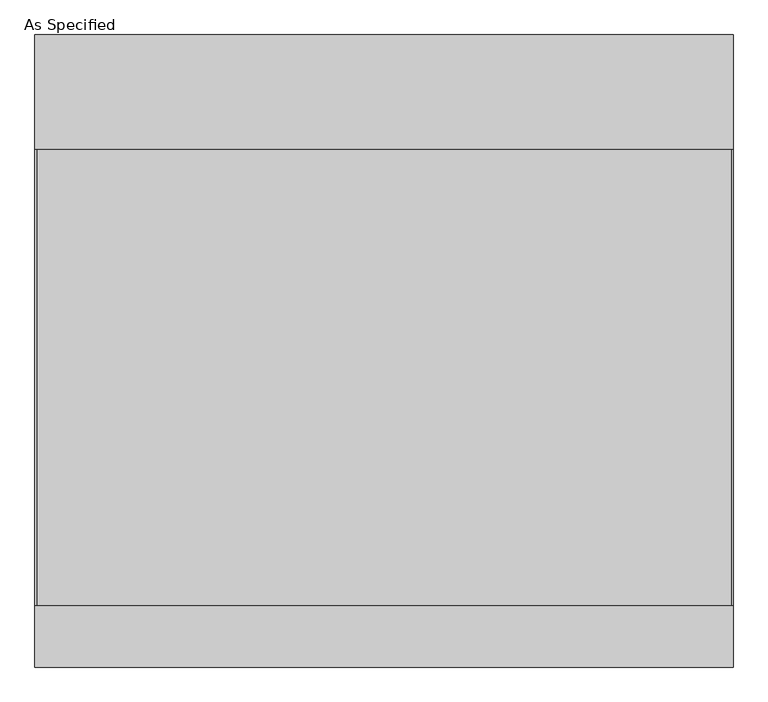
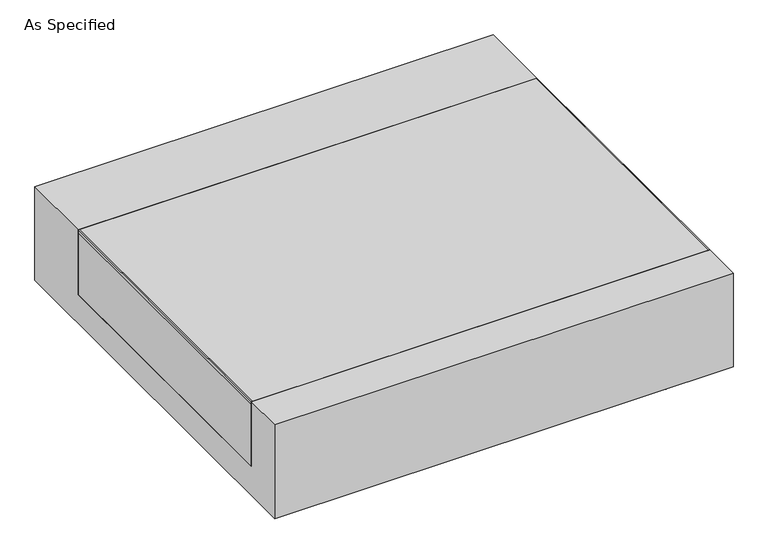
"""IFC4 building model written with IfcOpenShell, lengths in millimetres: proxy geometry, As Specified."""

from ifc_helpers import new_model, si_unit, point, frame, frame_2d, origin, place, context, project, spatial, polyline, circle_curve, trimmed, segment, composite_curve, outline, extrude, source, transform, mapped, element, save


def as_specified_bb5dd57b(model_context):
    return source(origin(), model_context, "Body", "SweptSolid", [
        extrude(outline(composite_curve([segment(trimmed(circle_curve(frame_2d((846.8125, -1007.275)), 10.5), [point((846.8125, -1017.775))], [point((846.8125, -996.775))], False, "CARTESIAN"), True, "CONTINUOUS"), segment(trimmed(circle_curve(frame_2d((846.8125, -1007.275)), 10.5), [point((846.8125, -996.775))], [point((846.8125, -1017.775))], False, "CARTESIAN"), True, "CONTINUOUS")], self_intersect=False)), frame((0.0, 0.0, -562.225), z_axis=(0.0, 0.0, 1.0), x_axis=(1.0, 0.0, 0.0)), (0.0, 0.0, 1.0), 32.0),
        extrude(outline(polyline([(-1161.25625, -850.9), (-1166.8125, -850.9), (-1166.8125, 673.1), (-1161.25625, 673.1), (-1161.25625, -850.9)])), frame((0.0, 0.0, -39.6875), z_axis=(0.0, 0.0, 1.0), x_axis=(1.0, 0.0, 0.0)), (0.0, 0.0, 1.0), 14.2875),
        extrude(outline(polyline([(1162.84375, 673.1), (1166.8125, 673.1), (1166.8125, -850.9), (1162.84375, -850.9), (1162.84375, 673.1)])), frame((0.0, 0.0, -39.6875), z_axis=(0.0, 0.0, 1.0), x_axis=(1.0, 0.0, 0.0)), (0.0, 0.0, 1.0), 14.2875),
        extrude(outline(polyline([(1166.8125, 673.1), (1166.8125, -850.9), (-1166.8125, -850.9), (-1166.8125, 673.1), (1166.8125, 673.1)])), frame((0.0, 0.0, -373.0625), z_axis=(0.0, 0.0, 1.0), x_axis=(1.0, 0.0, 0.0)), (0.0, 0.0, 1.0), 347.6625),
        extrude(outline(polyline([(1057.275, -25.4), (1057.275, -530.225), (-1057.275, -530.225), (-1057.275, -25.4), (-850.9, -25.4), (-850.9, -373.0625), (673.1, -373.0625), (673.1, -25.4), (1057.275, -25.4)])), frame((-1166.8125, 0.0, 0.0), z_axis=(1.0, 0.0, 0.0), x_axis=(0.0, 1.0, 0.0)), (0.0, 0.0, 1.0), 2333.625),
    ])


if __name__ == "__main__":
    model = new_model("IFC4")
    model_context = context("Model", 3, world=origin())
    ifc_project = project(units=[si_unit("LENGTHUNIT", "METRE", prefix="MILLI")], contexts=[model_context])
    site = spatial("IfcSite", under=ifc_project)
    building = spatial("IfcBuilding", under=site)
    placement = place(None, origin())
    as_specified_shape = as_specified_bb5dd57b(model_context)
    element("IfcBuildingElementProxy", 1, Name="As Specified", ObjectType="As Specified", at=placement, inside=building, context=model_context, shape_type="MappedRepresentation", body=[
        mapped(as_specified_shape, transform((0.0, 0.0, 0.0), x_axis=(1.0, 0.0, 0.0), y_axis=(0.0, 1.0, 0.0), z_axis=(0.0, 0.0, 1.0))),
    ])
    save(model, "model.ifc")
